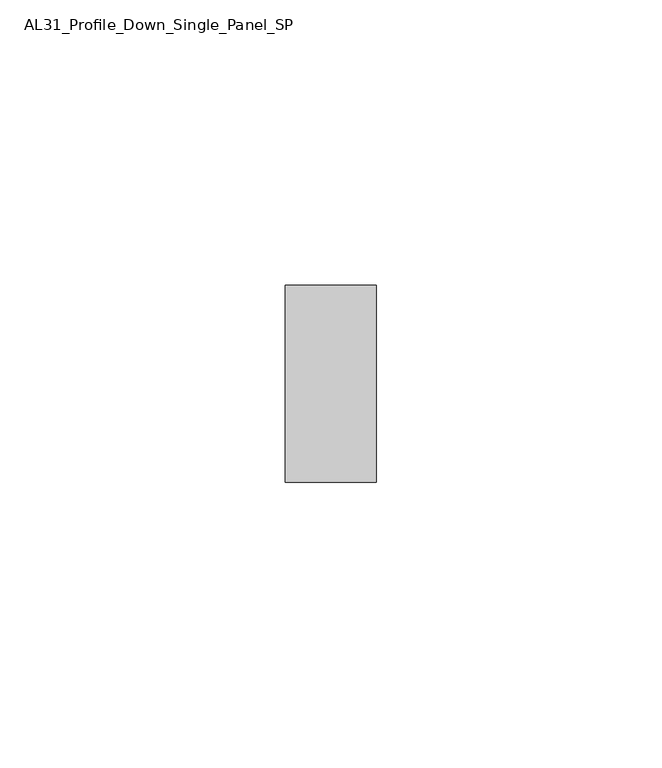
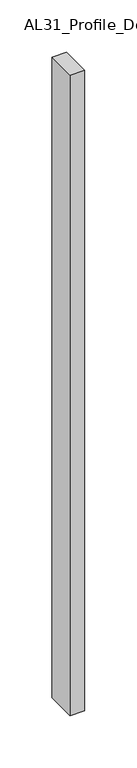
"""IFC4 building model written with IfcOpenShell, lengths in millimetres: member geometry, AL31_Profile_Down_Single_Panel_SP."""

from ifc_helpers import new_model, si_unit, frame, origin, place, context, project, spatial, polyline, outline, extrude, source, transform, mapped, element, save


def al31_profile_down_single_panel_sp_acb09952(model_context):
    return source(origin(), model_context, "Body", "SweptSolid", [
        extrude(outline(polyline([(0.0, -17.25), (-16.0, -17.25), (-16.0, 17.25), (0.0, 17.25), (0.0, -17.25)])), frame((0.0, 0.0, -747.5), z_axis=(0.0, 0.0, 1.0), x_axis=(1.0, 0.0, 0.0)), (0.0, 0.0, 1.0), 747.5),
    ])


if __name__ == "__main__":
    model = new_model("IFC4")
    model_context = context("Model", 3, world=origin())
    ifc_project = project(units=[si_unit("LENGTHUNIT", "METRE", prefix="MILLI")], contexts=[model_context])
    site = spatial("IfcSite", under=ifc_project)
    building = spatial("IfcBuilding", under=site)
    placement = place(None, origin())
    al31_profile_down_single_panel_sp_shape = al31_profile_down_single_panel_sp_acb09952(model_context)
    element("IfcMember", 1, ObjectType="AL31_Profile_Down_Single_Panel_SP", at=placement, inside=building, context=model_context, shape_type="MappedRepresentation", body=[
        mapped(al31_profile_down_single_panel_sp_shape, transform((0.0, 0.0, 0.0), x_axis=(1.0, 0.0, 0.0), y_axis=(0.0, 1.0, 0.0), z_axis=(0.0, 0.0, 1.0))),
    ])
    save(model, "model.ifc")
